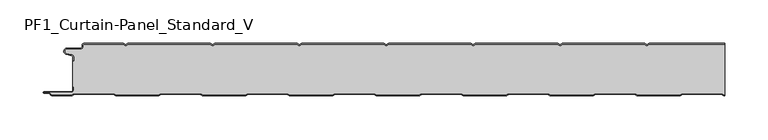
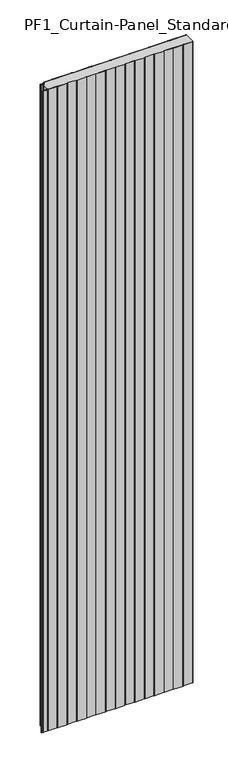
"""IFC4 building model written with IfcOpenShell, lengths in millimetres: plate geometry, PF1_Curtain-Panel_Standard_V."""

from ifc_helpers import new_model, si_unit, point, frame_2d, origin, origin_with_axes, place, context, project, spatial, polyline, circle_curve, trimmed, segment, composite_curve, outline, extrude, source, transform, mapped, element, save


def pf1_curtain_panel_standard_v_36fb572b(model_context):
    return source(origin(), model_context, "Body", "SweptSolid", [
        extrude(outline(composite_curve([segment(trimmed(circle_curve(frame_2d((-377.0, -15.878557)), 2.0), [point((-375.0, -15.878557))], [point((-376.5500978, -13.9298169))], True, "CARTESIAN"), True, "CONTINUOUS"), segment(polyline([(-376.5500978, -13.9298169), (-382.7098239, -12.507732)]), True, "CONTINUOUS"), segment(trimmed(circle_curve(frame_2d((-381.9, -9.0)), 3.6), [point((-382.7098239, -12.507732))], [point((-381.9, -5.4))], False, "CARTESIAN"), True, "CONTINUOUS"), segment(polyline([(-381.9, -5.4), (-366.4, -5.4)]), True, "CONTINUOUS"), segment(trimmed(circle_curve(frame_2d((-366.4, -3.4)), 2.0), [point((-366.4, -5.4))], [point((-364.4, -3.4))], True, "CARTESIAN"), True, "CONTINUOUS"), segment(polyline([(-364.4, -3.4), (-364.4, -2.0)]), True, "CONTINUOUS"), segment(trimmed(circle_curve(frame_2d((-362.4, -2.0)), 2.0), [point((-364.4, -2.0))], [point((-362.4, 0.0))], False, "CARTESIAN"), True, "CONTINUOUS"), segment(polyline([(-362.4, 0.0), (-317.0999995, 0.0), (-314.4, -1.5588455), (-311.7000005, 0.0), (-217.0999995, 0.0), (-214.4, -1.5588455), (-211.7000005, 0.0), (-117.0999995, 0.0), (-114.4, -1.5588455), (-111.7000005, 0.0), (-17.0999995, 0.0), (-14.4, -1.5588455), (-11.7000005, 0.0), (82.9000005, 0.0), (85.6, -1.5588455), (88.2999995, 0.0), (182.9000005, 0.0), (185.6, -1.5588455), (188.2999995, 0.0), (282.9000005, 0.0), (285.6, -1.5588455), (288.2999995, 0.0), (375.0, 0.0), (375.0, -0.8), (288.5143588, -0.8), (285.6, -2.482606), (282.6856412, -0.8), (188.5143588, -0.8), (185.6, -2.482606), (182.6856412, -0.8), (88.5143588, -0.8), (85.6, -2.482606), (82.6856412, -0.8), (-11.4856412, -0.8), (-14.4, -2.482606), (-17.3143588, -0.8), (-111.4856412, -0.8), (-114.4, -2.482606), (-117.3143588, -0.8), (-211.4856412, -0.8), (-214.4, -2.482606), (-217.3143588, -0.8), (-311.4856412, -0.8), (-314.4, -2.482606), (-317.3143588, -0.8), (-362.4, -0.8)]), True, "CONTINUOUS"), segment(trimmed(circle_curve(frame_2d((-362.4, -2.0)), 1.2), [point((-362.4, -0.8))], [point((-363.6, -2.0))], True, "CARTESIAN"), True, "CONTINUOUS"), segment(polyline([(-363.6, -2.0), (-363.6, -3.4)]), True, "CONTINUOUS"), segment(trimmed(circle_curve(frame_2d((-366.4, -3.4)), 2.8), [point((-363.6, -3.4))], [point((-366.4, -6.2))], False, "CARTESIAN"), True, "CONTINUOUS"), segment(polyline([(-366.4, -6.2), (-381.9, -6.2)]), True, "CONTINUOUS"), segment(trimmed(circle_curve(frame_2d((-381.9, -9.0)), 2.8), [point((-381.9, -6.2))], [point((-382.529863, -11.7282362))], True, "CARTESIAN"), True, "CONTINUOUS"), segment(polyline([(-382.529863, -11.7282362), (-376.370137, -13.150321)]), True, "CONTINUOUS"), segment(trimmed(circle_curve(frame_2d((-377.0, -15.878557)), 2.8), [point((-376.370137, -13.150321))], [point((-374.2, -15.878557))], False, "CARTESIAN"), True, "CONTINUOUS"), segment(polyline([(-374.2, -15.878557), (-374.2, -20.0), (-375.0, -20.0), (-375.0, -15.878557)]), True, "CONTINUOUS")], self_intersect=False)), origin_with_axes(), (0.0, 0.0, 1.0), 3500.0),
        extrude(outline(composite_curve([segment(polyline([(-374.2, -50.0), (-375.0, -50.0), (-375.0, -20.0), (-374.2, -20.0), (-374.2, -15.878557)]), True, "CONTINUOUS"), segment(trimmed(circle_curve(frame_2d((-377.0, -15.878557)), 2.8), [point((-374.2, -15.878557))], [point((-376.370137, -13.1503208))], True, "CARTESIAN"), True, "CONTINUOUS"), segment(polyline([(-376.370137, -13.1503208), (-382.529863, -11.7282362)]), True, "CONTINUOUS"), segment(trimmed(circle_curve(frame_2d((-381.9, -9.0)), 2.8), [point((-382.529863, -11.7282362))], [point((-381.9, -6.2))], False, "CARTESIAN"), True, "CONTINUOUS"), segment(polyline([(-381.9, -6.2), (-366.4, -6.2)]), True, "CONTINUOUS"), segment(trimmed(circle_curve(frame_2d((-366.4, -3.4)), 2.8), [point((-366.4, -6.2))], [point((-363.6, -3.4))], True, "CARTESIAN"), True, "CONTINUOUS"), segment(polyline([(-363.6, -3.4), (-363.6, -2.0)]), True, "CONTINUOUS"), segment(trimmed(circle_curve(frame_2d((-362.4, -2.0)), 1.2), [point((-363.6, -2.0))], [point((-362.4, -0.8))], False, "CARTESIAN"), True, "CONTINUOUS"), segment(polyline([(-362.4, -0.8), (-317.3143588, -0.8), (-314.4, -2.482606), (-311.4856412, -0.8), (-217.3143588, -0.8), (-214.4, -2.482606), (-211.4856412, -0.8), (-117.3143588, -0.8), (-114.4, -2.482606), (-111.4856412, -0.8), (-17.3143588, -0.8), (-14.4, -2.482606), (-11.4856412, -0.8), (82.6856412, -0.8), (85.6, -2.482606), (88.5143588, -0.8), (182.6856412, -0.8), (185.6, -2.482606), (188.5143588, -0.8), (282.6856412, -0.8), (285.6, -2.482606), (288.5143588, -0.8), (375.0, -0.8), (375.0, -59.2), (374.2152562, -59.2), (371.6171786, -57.7), (326.3884624, -57.7), (323.7903848, -59.2), (274.2152562, -59.2), (271.6171786, -57.7), (226.3884624, -57.7), (223.7903848, -59.2), (174.2152562, -59.2), (171.6171786, -57.7), (126.3884624, -57.7), (123.7903848, -59.2), (74.2152562, -59.2), (71.6171786, -57.7), (26.3884624, -57.7), (23.7903848, -59.2), (-25.7847438, -59.2), (-28.3828214, -57.7), (-73.6115376, -57.7), (-76.2096152, -59.2), (-125.7847438, -59.2), (-128.3828214, -57.7), (-173.6115376, -57.7), (-176.2096152, -59.2), (-225.7847438, -59.2), (-228.3828214, -57.7), (-273.6115376, -57.7), (-276.2096152, -59.2), (-325.7847438, -59.2), (-328.3828214, -57.7), (-373.6115376, -57.7), (-376.2096152, -59.2), (-399.4, -59.2)]), True, "CONTINUOUS"), segment(trimmed(circle_curve(frame_2d((-399.4, -58.4)), 0.8), [point((-399.4, -59.2))], [point((-400.2, -58.4))], False, "CARTESIAN"), True, "CONTINUOUS"), segment(trimmed(circle_curve(frame_2d((-401.9, -58.6133333)), 1.7133333), [point((-400.2, -58.4))], [point((-401.9, -56.9))], True, "CARTESIAN"), True, "CONTINUOUS"), segment(polyline([(-401.9, -56.9), (-407.8700312, -56.9)]), True, "CONTINUOUS"), segment(trimmed(circle_curve(frame_2d((-407.8700312, -56.6)), 0.3), [point((-407.8700312, -56.9))], [point((-407.8700312, -56.3))], False, "CARTESIAN"), True, "CONTINUOUS"), segment(polyline([(-407.8700312, -56.3), (-377.0, -56.3)]), True, "CONTINUOUS"), segment(trimmed(circle_curve(frame_2d((-377.0, -53.5)), 2.8), [point((-377.0, -56.3))], [point((-374.2, -53.5))], True, "CARTESIAN"), True, "CONTINUOUS"), segment(polyline([(-374.2, -53.5), (-374.2, -50.0)]), True, "CONTINUOUS")], self_intersect=False)), origin_with_axes(), (0.0, 0.0, 1.0), 3500.0),
        extrude(outline(composite_curve([segment(polyline([(-375.0, -50.0), (-374.2, -50.0), (-374.2, -53.5)]), True, "CONTINUOUS"), segment(trimmed(circle_curve(frame_2d((-377.0, -53.5)), 2.8), [point((-374.2, -53.5))], [point((-377.0, -56.3))], False, "CARTESIAN"), True, "CONTINUOUS"), segment(polyline([(-377.0, -56.3), (-407.8700312, -56.3)]), True, "CONTINUOUS"), segment(trimmed(circle_curve(frame_2d((-407.8700312, -56.6)), 0.3), [point((-407.8700312, -56.3))], [point((-407.8700312, -56.9))], True, "CARTESIAN"), True, "CONTINUOUS"), segment(polyline([(-407.8700312, -56.9), (-401.9, -56.9)]), True, "CONTINUOUS"), segment(trimmed(circle_curve(frame_2d((-401.9, -58.6133333)), 1.7133333), [point((-401.9, -56.9))], [point((-400.2, -58.4))], False, "CARTESIAN"), True, "CONTINUOUS"), segment(trimmed(circle_curve(frame_2d((-399.4, -58.4)), 0.8), [point((-400.2, -58.4))], [point((-399.4, -59.2))], True, "CARTESIAN"), True, "CONTINUOUS"), segment(polyline([(-399.4, -59.2), (-376.2096152, -59.2), (-373.6115376, -57.7), (-328.3828214, -57.7), (-325.7847438, -59.2), (-276.2096152, -59.2), (-273.6115376, -57.7), (-228.3828214, -57.7), (-225.7847438, -59.2), (-176.2096152, -59.2), (-173.6115376, -57.7), (-128.3828214, -57.7), (-125.7847438, -59.2), (-76.2096152, -59.2), (-73.6115376, -57.7), (-28.3828214, -57.7), (-25.7847438, -59.2), (23.7903848, -59.2), (26.3884624, -57.7), (71.6171786, -57.7), (74.2152562, -59.2), (123.7903848, -59.2), (126.3884624, -57.7), (171.6171786, -57.7), (174.2152562, -59.2), (223.7903848, -59.2), (226.3884624, -57.7), (271.6171786, -57.7), (274.2152562, -59.2), (323.7903848, -59.2), (326.3884624, -57.7), (371.6171786, -57.7), (374.2152562, -59.2), (375.0, -59.2), (375.0, -60.0), (374.0008969, -60.0), (371.4028193, -58.5), (326.6028217, -58.5), (324.0047441, -60.0), (274.0008969, -60.0), (271.4028193, -58.5), (226.6028217, -58.5), (224.0047441, -60.0), (174.0008969, -60.0), (171.4028193, -58.5), (126.6028217, -58.5), (124.0047441, -60.0), (74.0008969, -60.0), (71.4028193, -58.5), (26.6028217, -58.5), (24.0047441, -60.0), (-25.9991031, -60.0), (-28.5971807, -58.5), (-73.3971783, -58.5), (-75.9952559, -60.0), (-125.9991031, -60.0), (-128.5971807, -58.5), (-173.3971783, -58.5), (-175.9952559, -60.0), (-225.9991031, -60.0), (-228.5971807, -58.5), (-273.3971783, -58.5), (-275.9952559, -60.0), (-325.9991031, -60.0), (-328.5971807, -58.5), (-373.3971783, -58.5), (-375.9952559, -60.0), (-399.4, -60.0)]), True, "CONTINUOUS"), segment(trimmed(circle_curve(frame_2d((-399.4, -58.4)), 1.6), [point((-399.4, -60.0))], [point((-401.0, -58.4))], False, "CARTESIAN"), True, "CONTINUOUS"), segment(trimmed(circle_curve(frame_2d((-401.9, -58.4)), 0.9), [point((-401.0, -58.4))], [point((-401.9, -57.5))], True, "CARTESIAN"), True, "CONTINUOUS"), segment(polyline([(-401.9, -57.5), (-408.0, -57.5)]), True, "CONTINUOUS"), segment(trimmed(circle_curve(frame_2d((-408.0, -56.5)), 1.0), [point((-408.0, -57.5))], [point((-408.0, -55.5))], False, "CARTESIAN"), True, "CONTINUOUS"), segment(polyline([(-408.0, -55.5), (-377.0, -55.5)]), True, "CONTINUOUS"), segment(trimmed(circle_curve(frame_2d((-377.0, -53.5)), 2.0), [point((-377.0, -55.5))], [point((-375.0, -53.5))], True, "CARTESIAN"), True, "CONTINUOUS"), segment(polyline([(-375.0, -53.5), (-375.0, -50.0)]), True, "CONTINUOUS")], self_intersect=False)), origin_with_axes(), (0.0, 0.0, 1.0), 3500.0),
    ])


if __name__ == "__main__":
    model = new_model("IFC4")
    model_context = context("Model", 3, world=origin())
    ifc_project = project(units=[si_unit("LENGTHUNIT", "METRE", prefix="MILLI")], contexts=[model_context])
    site = spatial("IfcSite", under=ifc_project)
    building = spatial("IfcBuilding", under=site)
    placement = place(None, origin())
    pf1_curtain_panel_standard_v_shape = pf1_curtain_panel_standard_v_36fb572b(model_context)
    element("IfcPlate", 1, ObjectType="PF1_Curtain-Panel_Standard_V", at=placement, inside=building, context=model_context, shape_type="MappedRepresentation", body=[
        mapped(pf1_curtain_panel_standard_v_shape, transform((0.0, 0.0, 0.0), x_axis=(1.0, 0.0, 0.0), y_axis=(0.0, 1.0, 0.0), z_axis=(0.0, 0.0, 1.0))),
    ])
    save(model, "model.ifc")
